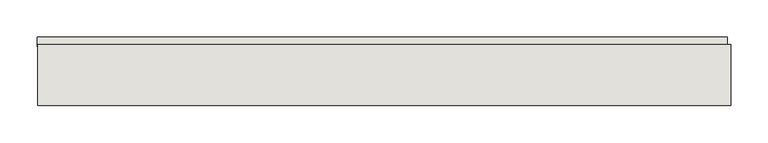
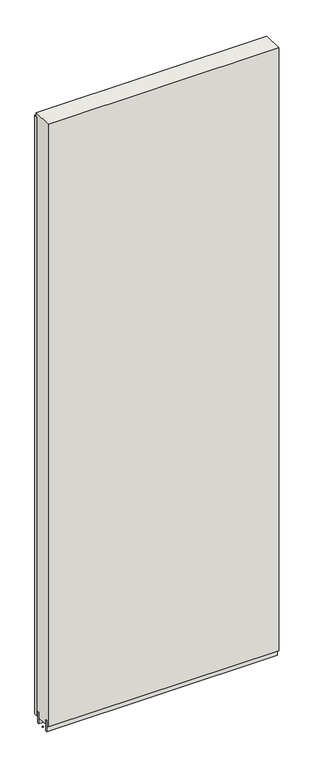
"""IFC4 building model written with IfcOpenShell, lengths in millimetres: wall geometry."""

from ifc_helpers import new_model, si_unit, frame, origin, place, context, project, spatial, polyline, outline, extrude, source, transform, mapped, element, save


def wall_166c7638(model_context):
    return source(origin(), model_context, "Body", "SweptSolid", [
        extrude(outline(polyline([(43124.12, -47722.5245954), (43121.58, -47722.5245954), (43121.58, -47719.9845954), (43124.12, -47719.9845954), (43124.12, -47722.5245954)])), frame((0.0, 0.0, 4419.6), z_axis=(0.0, 0.0, 1.0), x_axis=(1.0, 0.0, 0.0)), (0.0, 0.0, 1.0), 2.54),
        extrude(outline(polyline([(43121.113783, -47670.4545954), (44044.213791, -47670.4545954), (44044.213791, -47683.1545954), (43121.113783, -47683.1545954), (43121.113783, -47670.4545954)])), frame((0.0, 0.0, 4445.0), z_axis=(0.0, 0.0, 1.0), x_axis=(1.0, 0.0, 0.0)), (0.0, 0.0, 1.0), 2545.0498756),
        extrude(outline(polyline([(44048.6787554, -47696.1708508), (43121.5787554, -47696.1708508), (43121.5787554, -47691.0920954), (44048.6787554, -47691.0920954), (44048.6787554, -47696.1708508)])), frame((0.0, 0.0, 4418.6602), z_axis=(0.0, 0.0, 1.0), x_axis=(1.0, 0.0, 0.0)), (0.0, 0.0, 1.0), 47.625),
        extrude(outline(polyline([(44048.6787554, -47696.1708508), (43121.5787554, -47696.1708508), (43121.5787554, -47691.0920954), (44048.6787554, -47691.0920954), (44048.6787554, -47696.1708508)])), frame((0.0, 0.0, 4418.6602), z_axis=(0.0, 0.0, 1.0), x_axis=(1.0, 0.0, 0.0)), (0.0, 0.0, 1.0), 47.625),
        extrude(outline(polyline([(43121.5787554, -47746.3352412), (44048.6787554, -47746.3352412), (44048.6787554, -47751.4170954), (43121.5787554, -47751.4170954), (43121.5787554, -47746.3352412)])), frame((0.0, 0.0, 4418.6602), z_axis=(0.0, 0.0, 1.0), x_axis=(1.0, 0.0, 0.0)), (0.0, 0.0, 1.0), 47.625),
        extrude(outline(polyline([(43121.5787554, -47746.3352412), (44048.6787554, -47746.3352412), (44048.6787554, -47751.4170954), (43121.5787554, -47751.4170954), (43121.5787554, -47746.3352412)])), frame((0.0, 0.0, 4418.6602), z_axis=(0.0, 0.0, 1.0), x_axis=(1.0, 0.0, 0.0)), (0.0, 0.0, 1.0), 47.625),
        extrude(outline(polyline([(44048.6787554, -47680.6245014), (44048.6787554, -47761.906381), (43121.5787554, -47761.906381), (43121.5787554, -47680.6245014), (44048.6787554, -47680.6245014)])), frame((0.0, 0.0, 4445.0), z_axis=(0.0, 0.0, 1.0), x_axis=(1.0, 0.0, 0.0)), (0.0, 0.0, 1.0), 2562.4536762),
    ])


if __name__ == "__main__":
    model = new_model("IFC4")
    model_context = context("Model", 3, world=origin())
    ifc_project = project(units=[si_unit("LENGTHUNIT", "METRE", prefix="MILLI")], contexts=[model_context])
    site = spatial("IfcSite", under=ifc_project)
    building = spatial("IfcBuilding", under=site)
    placement = place(None, origin())
    wall_shape = wall_166c7638(model_context)
    element("IfcWall", 1, at=placement, inside=building, context=model_context, shape_type="MappedRepresentation", body=[
        mapped(wall_shape, transform((0.0, 0.0, 0.0), x_axis=(1.0, 0.0, 0.0), y_axis=(0.0, 1.0, 0.0), z_axis=(0.0, 0.0, 1.0))),
    ])
    save(model, "model.ifc")
